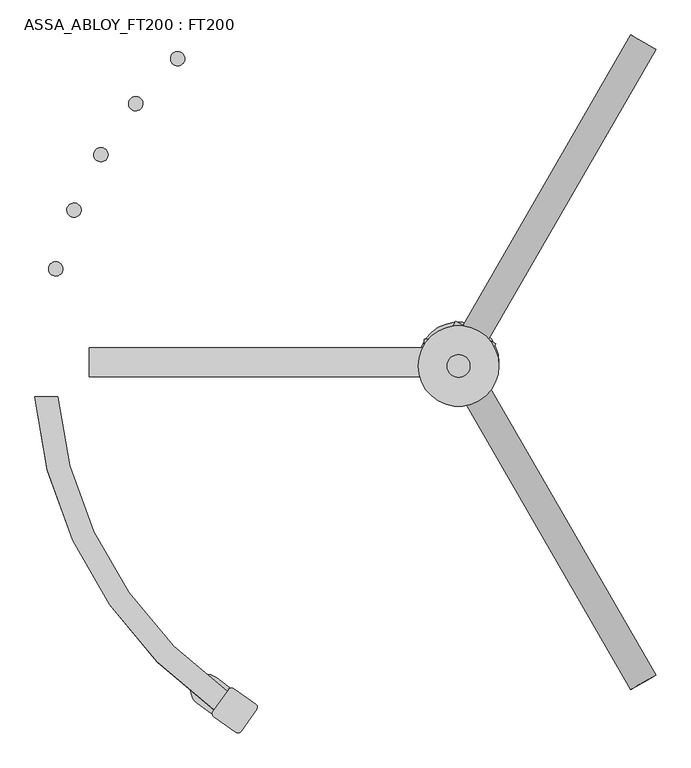
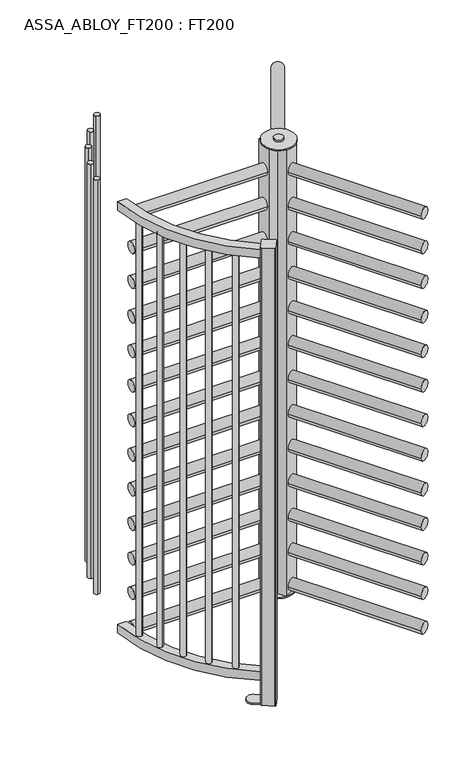
"""IFC4 building model written with IfcOpenShell, lengths in millimetres: proxy geometry, ASSA_ABLOY_FT200 : FT200."""

from ifc_helpers import new_model, si_unit, point, frame, frame_2d, origin, origin_with_axes, origin_2d, place, context, project, spatial, polyline, circle_curve, trimmed, segment, composite_curve, outline, extrude, source, transform, mapped, element, save
from ifc_brep_helpers import plane_surface, cylinder_surface, advanced_brep


def assa_abloy_ft200_ft200_6804b7e4(model_context):
    return source(origin(), model_context, "Body", "SolidModel", [
        extrude(outline(composite_curve([segment(trimmed(circle_curve(frame_2d((25.5, -2.28e-05)), 25.5), [point((25.5, 25.4999772))], [point((25.5, -25.5000229))], False, "CARTESIAN"), True, "CONTINUOUS"), segment(trimmed(circle_curve(frame_2d((25.5, -2.28e-05)), 25.5), [point((25.5, -25.5000229))], [point((25.5, 25.4999772))], False, "CARTESIAN"), True, "CONTINUOUS")], self_intersect=False)), frame((322.9187589, -559.35863, 37.0), z_axis=(-0.4999685347432275, 0.866043569496772, 0.0), x_axis=(0.0, 0.0, 1.0)), (0.0, 0.0, 1.0), 585.9000001),
        extrude(outline(composite_curve([segment(trimmed(circle_curve(frame_2d((186.5, -2.28e-05)), 25.5), [point((186.5, 25.4999772))], [point((186.5, -25.5000229))], False, "CARTESIAN"), True, "CONTINUOUS"), segment(trimmed(circle_curve(frame_2d((186.5, -2.28e-05)), 25.5), [point((186.5, -25.5000229))], [point((186.5, 25.4999772))], False, "CARTESIAN"), True, "CONTINUOUS")], self_intersect=False)), frame((322.9187589, -559.35863, 37.0), z_axis=(-0.4999685347432275, 0.866043569496772, 0.0), x_axis=(0.0, 0.0, 1.0)), (0.0, 0.0, 1.0), 585.9000001),
        extrude(outline(composite_curve([segment(trimmed(circle_curve(frame_2d((347.5, -2.28e-05)), 25.5), [point((347.5, 25.4999772))], [point((347.5, -25.5000229))], False, "CARTESIAN"), True, "CONTINUOUS"), segment(trimmed(circle_curve(frame_2d((347.5, -2.28e-05)), 25.5), [point((347.5, -25.5000229))], [point((347.5, 25.4999772))], False, "CARTESIAN"), True, "CONTINUOUS")], self_intersect=False)), frame((322.9187589, -559.35863, 37.0), z_axis=(-0.4999685347432275, 0.866043569496772, 0.0), x_axis=(0.0, 0.0, 1.0)), (0.0, 0.0, 1.0), 585.9000001),
        extrude(outline(composite_curve([segment(trimmed(circle_curve(frame_2d((508.5, -2.28e-05)), 25.5), [point((508.5, 25.4999772))], [point((508.5, -25.5000229))], False, "CARTESIAN"), True, "CONTINUOUS"), segment(trimmed(circle_curve(frame_2d((508.5, -2.28e-05)), 25.5), [point((508.5, -25.5000229))], [point((508.5, 25.4999772))], False, "CARTESIAN"), True, "CONTINUOUS")], self_intersect=False)), frame((322.9187589, -559.35863, 37.0), z_axis=(-0.4999685347432275, 0.866043569496772, 0.0), x_axis=(0.0, 0.0, 1.0)), (0.0, 0.0, 1.0), 585.9000001),
        extrude(outline(composite_curve([segment(trimmed(circle_curve(frame_2d((669.5, -2.28e-05)), 25.5), [point((669.5, 25.4999772))], [point((669.5, -25.5000229))], False, "CARTESIAN"), True, "CONTINUOUS"), segment(trimmed(circle_curve(frame_2d((669.5, -2.28e-05)), 25.5), [point((669.5, -25.5000229))], [point((669.5, 25.4999772))], False, "CARTESIAN"), True, "CONTINUOUS")], self_intersect=False)), frame((322.9187589, -559.35863, 37.0), z_axis=(-0.4999685347432275, 0.866043569496772, 0.0), x_axis=(0.0, 0.0, 1.0)), (0.0, 0.0, 1.0), 585.9000001),
        extrude(outline(composite_curve([segment(trimmed(circle_curve(frame_2d((830.5, -2.28e-05)), 25.5), [point((830.5, 25.4999772))], [point((830.5, -25.5000229))], False, "CARTESIAN"), True, "CONTINUOUS"), segment(trimmed(circle_curve(frame_2d((830.5, -2.28e-05)), 25.5), [point((830.5, -25.5000229))], [point((830.5, 25.4999772))], False, "CARTESIAN"), True, "CONTINUOUS")], self_intersect=False)), frame((322.9187589, -559.35863, 37.0), z_axis=(-0.4999685347432275, 0.866043569496772, 0.0), x_axis=(0.0, 0.0, 1.0)), (0.0, 0.0, 1.0), 585.9000001),
        extrude(outline(composite_curve([segment(trimmed(circle_curve(frame_2d((991.5, -2.28e-05)), 25.5), [point((991.5, 25.4999772))], [point((991.5, -25.5000229))], False, "CARTESIAN"), True, "CONTINUOUS"), segment(trimmed(circle_curve(frame_2d((991.5, -2.28e-05)), 25.5), [point((991.5, -25.5000229))], [point((991.5, 25.4999772))], False, "CARTESIAN"), True, "CONTINUOUS")], self_intersect=False)), frame((322.9187589, -559.35863, 37.0), z_axis=(-0.4999685347432275, 0.866043569496772, 0.0), x_axis=(0.0, 0.0, 1.0)), (0.0, 0.0, 1.0), 585.9000001),
        extrude(outline(composite_curve([segment(trimmed(circle_curve(frame_2d((1152.5, -2.28e-05)), 25.5), [point((1152.5, 25.4999772))], [point((1152.5, -25.5000229))], False, "CARTESIAN"), True, "CONTINUOUS"), segment(trimmed(circle_curve(frame_2d((1152.5, -2.28e-05)), 25.5), [point((1152.5, -25.5000229))], [point((1152.5, 25.4999772))], False, "CARTESIAN"), True, "CONTINUOUS")], self_intersect=False)), frame((322.9187589, -559.35863, 37.0), z_axis=(-0.4999685347432275, 0.866043569496772, 0.0), x_axis=(0.0, 0.0, 1.0)), (0.0, 0.0, 1.0), 585.9000001),
        extrude(outline(composite_curve([segment(trimmed(circle_curve(frame_2d((1313.5, -2.28e-05)), 25.5), [point((1313.5, 25.4999772))], [point((1313.5, -25.5000229))], False, "CARTESIAN"), True, "CONTINUOUS"), segment(trimmed(circle_curve(frame_2d((1313.5, -2.28e-05)), 25.5), [point((1313.5, -25.5000229))], [point((1313.5, 25.4999772))], False, "CARTESIAN"), True, "CONTINUOUS")], self_intersect=False)), frame((322.9187589, -559.35863, 37.0), z_axis=(-0.4999685347432275, 0.866043569496772, 0.0), x_axis=(0.0, 0.0, 1.0)), (0.0, 0.0, 1.0), 585.9000001),
        extrude(outline(composite_curve([segment(trimmed(circle_curve(frame_2d((1474.5, -2.28e-05)), 25.5), [point((1474.5, 25.4999772))], [point((1474.5, -25.5000229))], False, "CARTESIAN"), True, "CONTINUOUS"), segment(trimmed(circle_curve(frame_2d((1474.5, -2.28e-05)), 25.5), [point((1474.5, -25.5000229))], [point((1474.5, 25.4999772))], False, "CARTESIAN"), True, "CONTINUOUS")], self_intersect=False)), frame((322.9187589, -559.35863, 37.0), z_axis=(-0.4999685347432275, 0.866043569496772, 0.0), x_axis=(0.0, 0.0, 1.0)), (0.0, 0.0, 1.0), 585.9000001),
        extrude(outline(composite_curve([segment(trimmed(circle_curve(frame_2d((1635.5, -2.28e-05)), 25.5), [point((1635.5, 25.4999772))], [point((1635.5, -25.5000229))], False, "CARTESIAN"), True, "CONTINUOUS"), segment(trimmed(circle_curve(frame_2d((1635.5, -2.28e-05)), 25.5), [point((1635.5, -25.5000229))], [point((1635.5, 25.4999772))], False, "CARTESIAN"), True, "CONTINUOUS")], self_intersect=False)), frame((322.9187589, -559.35863, 37.0), z_axis=(-0.4999685347432275, 0.866043569496772, 0.0), x_axis=(0.0, 0.0, 1.0)), (0.0, 0.0, 1.0), 585.9000001),
        extrude(outline(composite_curve([segment(trimmed(circle_curve(frame_2d((1796.5, -2.28e-05)), 25.5), [point((1796.5, 25.4999772))], [point((1796.5, -25.5000229))], False, "CARTESIAN"), True, "CONTINUOUS"), segment(trimmed(circle_curve(frame_2d((1796.5, -2.28e-05)), 25.5), [point((1796.5, -25.5000229))], [point((1796.5, 25.4999772))], False, "CARTESIAN"), True, "CONTINUOUS")], self_intersect=False)), frame((322.9187589, -559.35863, 37.0), z_axis=(-0.4999685347432275, 0.866043569496772, 0.0), x_axis=(0.0, 0.0, 1.0)), (0.0, 0.0, 1.0), 585.9000001),
        extrude(outline(composite_curve([segment(trimmed(circle_curve(frame_2d((1957.5, -2.28e-05)), 25.5), [point((1957.5, 25.4999772))], [point((1957.5, -25.5000229))], False, "CARTESIAN"), True, "CONTINUOUS"), segment(trimmed(circle_curve(frame_2d((1957.5, -2.28e-05)), 25.5), [point((1957.5, -25.5000229))], [point((1957.5, 25.4999772))], False, "CARTESIAN"), True, "CONTINUOUS")], self_intersect=False)), frame((322.9187589, -559.35863, 37.0), z_axis=(-0.4999685347432275, 0.866043569496772, 0.0), x_axis=(0.0, 0.0, 1.0)), (0.0, 0.0, 1.0), 585.9000001),
        extrude(outline(composite_curve([segment(trimmed(circle_curve(frame_2d((25.5, 2.28e-05)), 25.5), [point((25.5, -25.4999772))], [point((25.5, 25.5000228))], False, "CARTESIAN"), True, "CONTINUOUS"), segment(trimmed(circle_curve(frame_2d((25.5, 2.28e-05)), 25.5), [point((25.5, 25.5000228))], [point((25.5, -25.4999772))], False, "CARTESIAN"), True, "CONTINUOUS")], self_intersect=False)), frame((29.9917907, 51.946396, 37.0), z_axis=(0.5000065646043342, 0.8660216136751852, 0.0), x_axis=(0.0, 0.0, 1.0)), (0.0, 0.0, 1.0), 585.9),
        extrude(outline(composite_curve([segment(trimmed(circle_curve(frame_2d((186.5, 2.28e-05)), 25.5), [point((186.5, -25.4999772))], [point((186.5, 25.5000228))], False, "CARTESIAN"), True, "CONTINUOUS"), segment(trimmed(circle_curve(frame_2d((186.5, 2.28e-05)), 25.5), [point((186.5, 25.5000228))], [point((186.5, -25.4999772))], False, "CARTESIAN"), True, "CONTINUOUS")], self_intersect=False)), frame((29.9917907, 51.946396, 37.0), z_axis=(0.5000065646043342, 0.8660216136751852, 0.0), x_axis=(0.0, 0.0, 1.0)), (0.0, 0.0, 1.0), 585.9),
        extrude(outline(composite_curve([segment(trimmed(circle_curve(frame_2d((347.5, 2.28e-05)), 25.5), [point((347.5, -25.4999772))], [point((347.5, 25.5000228))], False, "CARTESIAN"), True, "CONTINUOUS"), segment(trimmed(circle_curve(frame_2d((347.5, 2.28e-05)), 25.5), [point((347.5, 25.5000228))], [point((347.5, -25.4999772))], False, "CARTESIAN"), True, "CONTINUOUS")], self_intersect=False)), frame((29.9917907, 51.946396, 37.0), z_axis=(0.5000065646043342, 0.8660216136751852, 0.0), x_axis=(0.0, 0.0, 1.0)), (0.0, 0.0, 1.0), 585.9),
        extrude(outline(composite_curve([segment(trimmed(circle_curve(frame_2d((508.5, 2.28e-05)), 25.5), [point((508.5, -25.4999772))], [point((508.5, 25.5000228))], False, "CARTESIAN"), True, "CONTINUOUS"), segment(trimmed(circle_curve(frame_2d((508.5, 2.28e-05)), 25.5), [point((508.5, 25.5000228))], [point((508.5, -25.4999772))], False, "CARTESIAN"), True, "CONTINUOUS")], self_intersect=False)), frame((29.9917907, 51.946396, 37.0), z_axis=(0.5000065646043342, 0.8660216136751852, 0.0), x_axis=(0.0, 0.0, 1.0)), (0.0, 0.0, 1.0), 585.9),
        extrude(outline(composite_curve([segment(trimmed(circle_curve(frame_2d((669.5, 2.28e-05)), 25.5), [point((669.5, -25.4999772))], [point((669.5, 25.5000228))], False, "CARTESIAN"), True, "CONTINUOUS"), segment(trimmed(circle_curve(frame_2d((669.5, 2.28e-05)), 25.5), [point((669.5, 25.5000228))], [point((669.5, -25.4999772))], False, "CARTESIAN"), True, "CONTINUOUS")], self_intersect=False)), frame((29.9917907, 51.946396, 37.0), z_axis=(0.5000065646043342, 0.8660216136751852, 0.0), x_axis=(0.0, 0.0, 1.0)), (0.0, 0.0, 1.0), 585.9),
        extrude(outline(composite_curve([segment(trimmed(circle_curve(frame_2d((830.5, 2.28e-05)), 25.5), [point((830.5, -25.4999772))], [point((830.5, 25.5000228))], False, "CARTESIAN"), True, "CONTINUOUS"), segment(trimmed(circle_curve(frame_2d((830.5, 2.28e-05)), 25.5), [point((830.5, 25.5000228))], [point((830.5, -25.4999772))], False, "CARTESIAN"), True, "CONTINUOUS")], self_intersect=False)), frame((29.9917907, 51.946396, 37.0), z_axis=(0.5000065646043342, 0.8660216136751852, 0.0), x_axis=(0.0, 0.0, 1.0)), (0.0, 0.0, 1.0), 585.9),
        extrude(outline(composite_curve([segment(trimmed(circle_curve(frame_2d((991.5, 2.28e-05)), 25.5), [point((991.5, -25.4999772))], [point((991.5, 25.5000228))], False, "CARTESIAN"), True, "CONTINUOUS"), segment(trimmed(circle_curve(frame_2d((991.5, 2.28e-05)), 25.5), [point((991.5, 25.5000228))], [point((991.5, -25.4999772))], False, "CARTESIAN"), True, "CONTINUOUS")], self_intersect=False)), frame((29.9917907, 51.946396, 37.0), z_axis=(0.5000065646043342, 0.8660216136751852, 0.0), x_axis=(0.0, 0.0, 1.0)), (0.0, 0.0, 1.0), 585.9),
        extrude(outline(composite_curve([segment(trimmed(circle_curve(frame_2d((1152.5, 2.28e-05)), 25.5), [point((1152.5, -25.4999772))], [point((1152.5, 25.5000228))], False, "CARTESIAN"), True, "CONTINUOUS"), segment(trimmed(circle_curve(frame_2d((1152.5, 2.28e-05)), 25.5), [point((1152.5, 25.5000228))], [point((1152.5, -25.4999772))], False, "CARTESIAN"), True, "CONTINUOUS")], self_intersect=False)), frame((29.9917907, 51.946396, 37.0), z_axis=(0.5000065646043342, 0.8660216136751852, 0.0), x_axis=(0.0, 0.0, 1.0)), (0.0, 0.0, 1.0), 585.9),
        extrude(outline(composite_curve([segment(trimmed(circle_curve(frame_2d((1313.5, 2.28e-05)), 25.5), [point((1313.5, -25.4999772))], [point((1313.5, 25.5000228))], False, "CARTESIAN"), True, "CONTINUOUS"), segment(trimmed(circle_curve(frame_2d((1313.5, 2.28e-05)), 25.5), [point((1313.5, 25.5000228))], [point((1313.5, -25.4999772))], False, "CARTESIAN"), True, "CONTINUOUS")], self_intersect=False)), frame((29.9917907, 51.946396, 37.0), z_axis=(0.5000065646043342, 0.8660216136751852, 0.0), x_axis=(0.0, 0.0, 1.0)), (0.0, 0.0, 1.0), 585.9),
        extrude(outline(composite_curve([segment(trimmed(circle_curve(frame_2d((1474.5, 2.28e-05)), 25.5), [point((1474.5, -25.4999772))], [point((1474.5, 25.5000228))], False, "CARTESIAN"), True, "CONTINUOUS"), segment(trimmed(circle_curve(frame_2d((1474.5, 2.28e-05)), 25.5), [point((1474.5, 25.5000228))], [point((1474.5, -25.4999772))], False, "CARTESIAN"), True, "CONTINUOUS")], self_intersect=False)), frame((29.9917907, 51.946396, 37.0), z_axis=(0.5000065646043342, 0.8660216136751852, 0.0), x_axis=(0.0, 0.0, 1.0)), (0.0, 0.0, 1.0), 585.9),
        extrude(outline(composite_curve([segment(trimmed(circle_curve(frame_2d((1635.5, 2.28e-05)), 25.5), [point((1635.5, -25.4999772))], [point((1635.5, 25.5000228))], False, "CARTESIAN"), True, "CONTINUOUS"), segment(trimmed(circle_curve(frame_2d((1635.5, 2.28e-05)), 25.5), [point((1635.5, 25.5000228))], [point((1635.5, -25.4999772))], False, "CARTESIAN"), True, "CONTINUOUS")], self_intersect=False)), frame((29.9917907, 51.946396, 37.0), z_axis=(0.5000065646043342, 0.8660216136751852, 0.0), x_axis=(0.0, 0.0, 1.0)), (0.0, 0.0, 1.0), 585.9),
        extrude(outline(composite_curve([segment(trimmed(circle_curve(frame_2d((1796.5, 2.28e-05)), 25.5), [point((1796.5, -25.4999772))], [point((1796.5, 25.5000228))], False, "CARTESIAN"), True, "CONTINUOUS"), segment(trimmed(circle_curve(frame_2d((1796.5, 2.28e-05)), 25.5), [point((1796.5, 25.5000228))], [point((1796.5, -25.4999772))], False, "CARTESIAN"), True, "CONTINUOUS")], self_intersect=False)), frame((29.9917907, 51.946396, 37.0), z_axis=(0.5000065646043342, 0.8660216136751852, 0.0), x_axis=(0.0, 0.0, 1.0)), (0.0, 0.0, 1.0), 585.9),
        extrude(outline(composite_curve([segment(trimmed(circle_curve(frame_2d((1957.5, 2.28e-05)), 25.5), [point((1957.5, -25.4999772))], [point((1957.5, 25.5000228))], False, "CARTESIAN"), True, "CONTINUOUS"), segment(trimmed(circle_curve(frame_2d((1957.5, 2.28e-05)), 25.5), [point((1957.5, 25.5000228))], [point((1957.5, -25.4999772))], False, "CARTESIAN"), True, "CONTINUOUS")], self_intersect=False)), frame((29.9917907, 51.946396, 37.0), z_axis=(0.5000065646043342, 0.8660216136751852, 0.0), x_axis=(0.0, 0.0, 1.0)), (0.0, 0.0, 1.0), 585.9),
        extrude(outline(composite_curve([segment(trimmed(circle_curve(frame_2d((0.0, 62.5)), 25.5), [point((-25.5, 62.5))], [point((25.5, 62.5))], False, "CARTESIAN"), True, "CONTINUOUS"), segment(trimmed(circle_curve(frame_2d((0.0, 62.5)), 25.5), [point((25.5, 62.5))], [point((-25.5, 62.5))], False, "CARTESIAN"), True, "CONTINUOUS")], self_intersect=False)), frame((-645.9, 0.0, 0.0), z_axis=(1.0, 0.0, 0.0), x_axis=(0.0, 1.0, 0.0)), (0.0, 0.0, 1.0), 585.9),
        extrude(outline(composite_curve([segment(trimmed(circle_curve(frame_2d((0.0, 223.5)), 25.5), [point((-25.5, 223.5))], [point((25.5, 223.5))], False, "CARTESIAN"), True, "CONTINUOUS"), segment(trimmed(circle_curve(frame_2d((0.0, 223.5)), 25.5), [point((25.5, 223.5))], [point((-25.5, 223.5))], False, "CARTESIAN"), True, "CONTINUOUS")], self_intersect=False)), frame((-645.9, 0.0, 0.0), z_axis=(1.0, 0.0, 0.0), x_axis=(0.0, 1.0, 0.0)), (0.0, 0.0, 1.0), 585.9),
        extrude(outline(composite_curve([segment(trimmed(circle_curve(frame_2d((0.0, 384.5)), 25.5), [point((-25.5, 384.5))], [point((25.5, 384.5))], False, "CARTESIAN"), True, "CONTINUOUS"), segment(trimmed(circle_curve(frame_2d((0.0, 384.5)), 25.5), [point((25.5, 384.5))], [point((-25.5, 384.5))], False, "CARTESIAN"), True, "CONTINUOUS")], self_intersect=False)), frame((-645.9, 0.0, 0.0), z_axis=(1.0, 0.0, 0.0), x_axis=(0.0, 1.0, 0.0)), (0.0, 0.0, 1.0), 585.9),
        extrude(outline(composite_curve([segment(trimmed(circle_curve(frame_2d((0.0, 545.5)), 25.5), [point((-25.5, 545.5))], [point((25.5, 545.5))], False, "CARTESIAN"), True, "CONTINUOUS"), segment(trimmed(circle_curve(frame_2d((0.0, 545.5)), 25.5), [point((25.5, 545.5))], [point((-25.5, 545.5))], False, "CARTESIAN"), True, "CONTINUOUS")], self_intersect=False)), frame((-645.9, 0.0, 0.0), z_axis=(1.0, 0.0, 0.0), x_axis=(0.0, 1.0, 0.0)), (0.0, 0.0, 1.0), 585.9),
        extrude(outline(composite_curve([segment(trimmed(circle_curve(frame_2d((0.0, 706.5)), 25.5), [point((-25.5, 706.5))], [point((25.5, 706.5))], False, "CARTESIAN"), True, "CONTINUOUS"), segment(trimmed(circle_curve(frame_2d((0.0, 706.5)), 25.5), [point((25.5, 706.5))], [point((-25.5, 706.5))], False, "CARTESIAN"), True, "CONTINUOUS")], self_intersect=False)), frame((-645.9, 0.0, 0.0), z_axis=(1.0, 0.0, 0.0), x_axis=(0.0, 1.0, 0.0)), (0.0, 0.0, 1.0), 585.9),
        extrude(outline(composite_curve([segment(trimmed(circle_curve(frame_2d((0.0, 867.5)), 25.5), [point((-25.5, 867.5))], [point((25.5, 867.5))], False, "CARTESIAN"), True, "CONTINUOUS"), segment(trimmed(circle_curve(frame_2d((0.0, 867.5)), 25.5), [point((25.5, 867.5))], [point((-25.5, 867.5))], False, "CARTESIAN"), True, "CONTINUOUS")], self_intersect=False)), frame((-645.9, 0.0, 0.0), z_axis=(1.0, 0.0, 0.0), x_axis=(0.0, 1.0, 0.0)), (0.0, 0.0, 1.0), 585.9),
        extrude(outline(composite_curve([segment(trimmed(circle_curve(frame_2d((0.0, 1028.5)), 25.5), [point((-25.5, 1028.5))], [point((25.5, 1028.5))], False, "CARTESIAN"), True, "CONTINUOUS"), segment(trimmed(circle_curve(frame_2d((0.0, 1028.5)), 25.5), [point((25.5, 1028.5))], [point((-25.5, 1028.5))], False, "CARTESIAN"), True, "CONTINUOUS")], self_intersect=False)), frame((-645.9, 0.0, 0.0), z_axis=(1.0, 0.0, 0.0), x_axis=(0.0, 1.0, 0.0)), (0.0, 0.0, 1.0), 585.9),
        extrude(outline(composite_curve([segment(trimmed(circle_curve(frame_2d((0.0, 1189.5)), 25.5), [point((-25.5, 1189.5))], [point((25.5, 1189.5))], False, "CARTESIAN"), True, "CONTINUOUS"), segment(trimmed(circle_curve(frame_2d((0.0, 1189.5)), 25.5), [point((25.5, 1189.5))], [point((-25.5, 1189.5))], False, "CARTESIAN"), True, "CONTINUOUS")], self_intersect=False)), frame((-645.9, 0.0, 0.0), z_axis=(1.0, 0.0, 0.0), x_axis=(0.0, 1.0, 0.0)), (0.0, 0.0, 1.0), 585.9),
        extrude(outline(composite_curve([segment(trimmed(circle_curve(frame_2d((0.0, 1350.5)), 25.5), [point((-25.5, 1350.5))], [point((25.5, 1350.5))], False, "CARTESIAN"), True, "CONTINUOUS"), segment(trimmed(circle_curve(frame_2d((0.0, 1350.5)), 25.5), [point((25.5, 1350.5))], [point((-25.5, 1350.5))], False, "CARTESIAN"), True, "CONTINUOUS")], self_intersect=False)), frame((-645.9, 0.0, 0.0), z_axis=(1.0, 0.0, 0.0), x_axis=(0.0, 1.0, 0.0)), (0.0, 0.0, 1.0), 585.9),
        extrude(outline(composite_curve([segment(trimmed(circle_curve(frame_2d((0.0, 1511.5)), 25.5), [point((-25.5, 1511.5))], [point((25.5, 1511.5))], False, "CARTESIAN"), True, "CONTINUOUS"), segment(trimmed(circle_curve(frame_2d((0.0, 1511.5)), 25.5), [point((25.5, 1511.5))], [point((-25.5, 1511.5))], False, "CARTESIAN"), True, "CONTINUOUS")], self_intersect=False)), frame((-645.9, 0.0, 0.0), z_axis=(1.0, 0.0, 0.0), x_axis=(0.0, 1.0, 0.0)), (0.0, 0.0, 1.0), 585.9),
        extrude(outline(composite_curve([segment(trimmed(circle_curve(frame_2d((0.0, 1672.5)), 25.5), [point((-25.5, 1672.5))], [point((25.5, 1672.5))], False, "CARTESIAN"), True, "CONTINUOUS"), segment(trimmed(circle_curve(frame_2d((0.0, 1672.5)), 25.5), [point((25.5, 1672.5))], [point((-25.5, 1672.5))], False, "CARTESIAN"), True, "CONTINUOUS")], self_intersect=False)), frame((-645.9, 0.0, 0.0), z_axis=(1.0, 0.0, 0.0), x_axis=(0.0, 1.0, 0.0)), (0.0, 0.0, 1.0), 585.9),
        extrude(outline(composite_curve([segment(trimmed(circle_curve(frame_2d((0.0, 1833.5)), 25.5), [point((-25.5, 1833.5))], [point((25.5, 1833.5))], False, "CARTESIAN"), True, "CONTINUOUS"), segment(trimmed(circle_curve(frame_2d((0.0, 1833.5)), 25.5), [point((25.5, 1833.5))], [point((-25.5, 1833.5))], False, "CARTESIAN"), True, "CONTINUOUS")], self_intersect=False)), frame((-645.9, 0.0, 0.0), z_axis=(1.0, 0.0, 0.0), x_axis=(0.0, 1.0, 0.0)), (0.0, 0.0, 1.0), 585.9),
        extrude(outline(composite_curve([segment(trimmed(circle_curve(frame_2d((0.0, 1994.5)), 25.5), [point((-25.5, 1994.5))], [point((25.5, 1994.5))], False, "CARTESIAN"), True, "CONTINUOUS"), segment(trimmed(circle_curve(frame_2d((0.0, 1994.5)), 25.5), [point((25.5, 1994.5))], [point((-25.5, 1994.5))], False, "CARTESIAN"), True, "CONTINUOUS")], self_intersect=False)), frame((-645.9, 0.0, 0.0), z_axis=(1.0, 0.0, 0.0), x_axis=(0.0, 1.0, 0.0)), (0.0, 0.0, 1.0), 585.9),
        extrude(outline(composite_curve([segment(trimmed(circle_curve(frame_2d((-0.0003681, -6.5842658)), 20.0), [point((19.9996319, -6.5842658))], [point((-20.0003681, -6.5842658))], False, "CARTESIAN"), True, "CONTINUOUS"), segment(trimmed(circle_curve(frame_2d((-0.0003681, -6.5842658)), 20.0), [point((-20.0003681, -6.5842658))], [point((19.9996319, -6.5842658))], False, "CARTESIAN"), True, "CONTINUOUS")], self_intersect=False)), frame((0.0, 0.0, 2116.4999542), z_axis=(0.0, 0.0, 1.0), x_axis=(1.0, 0.0, 0.0)), (0.0, 0.0, 1.0), 8.5),
        extrude(outline(composite_curve([segment(trimmed(circle_curve(frame_2d((-0.0003681, -6.5842658)), 70.5), [point((70.4996319, -6.5842658))], [point((-70.5003681, -6.5842658))], False, "CARTESIAN"), True, "CONTINUOUS"), segment(trimmed(circle_curve(frame_2d((-0.0003681, -6.5842658)), 70.5), [point((-70.5003681, -6.5842658))], [point((70.4996319, -6.5842658))], False, "CARTESIAN"), True, "CONTINUOUS")], self_intersect=False)), frame((0.0, 0.0, 2110.4999695), z_axis=(0.0, 0.0, 1.0), x_axis=(1.0, 0.0, 0.0)), (0.0, 0.0, 1.0), 5.9999847),
        extrude(outline(composite_curve([segment(trimmed(circle_curve(frame_2d((-0.0003681, 0.0)), 20.0), [point((19.9996319, 0.0))], [point((-20.0003681, 0.0))], False, "CARTESIAN"), True, "CONTINUOUS"), segment(trimmed(circle_curve(frame_2d((-0.0003681, 0.0)), 20.0), [point((-20.0003681, 0.0))], [point((19.9996319, 0.0))], False, "CARTESIAN"), True, "CONTINUOUS")], self_intersect=False)), frame((0.0, 0.0, 8.0), z_axis=(0.0, 0.0, 1.0), x_axis=(1.0, 0.0, 0.0)), (0.0, 0.0, 1.0), 13.0),
        extrude(outline(composite_curve([segment(trimmed(circle_curve(frame_2d((-0.0003681, 0.0)), 70.5), [point((70.4996319, 0.0))], [point((-70.5003681, 0.0))], False, "CARTESIAN"), True, "CONTINUOUS"), segment(trimmed(circle_curve(frame_2d((-0.0003681, 0.0)), 70.5), [point((-70.5003681, 0.0))], [point((70.4996319, 0.0))], False, "CARTESIAN"), True, "CONTINUOUS")], self_intersect=False)), frame((0.0, 0.0, 21.0), z_axis=(0.0, 0.0, 1.0), x_axis=(1.0, 0.0, 0.0)), (0.0, 0.0, 1.0), 5.9999847),
        extrude(outline(polyline([(-23.0942963, 39.9999606), (-4.6494225, 71.9468599), (64.6324519, 31.9462508), (46.1879562, 0.0), (63.2809074, -32.7231813), (-4.2026102, -71.6815392), (-23.0942625, -40.0000191), (-60.0, -40.0000191), (-60.0, 39.9999734), (-23.0942963, 39.9999606)])), frame((0.0, 0.0, 26.9999847), z_axis=(0.0, 0.0, 1.0), x_axis=(1.0, 0.0, 0.0)), (0.0, 0.0, 1.0), 2083.4999847),
        advanced_brep(
        [(-701.3972813, -175.3425532, 148.5), (-707.0228878, -150.9837307, 148.5), (-701.3972813, -175.3425532, 2077.0), (-706.9882272, -150.9757519, 2077.0)],
        [
            (0, 1, circle_curve(frame((-704.2014208, -163.1611411, 148.5), z_axis=(0.0, 0.0, -1.0), x_axis=(-0.22571736015093904, 0.9741928316952919, 0.0)), 12.5)),
            (1, 0, circle_curve(frame((-704.2014208, -163.1611411, 148.5), z_axis=(0.0, 0.0, -1.0), x_axis=(-0.22571736015093904, 0.9741928316952919, 0.0)), 12.5)),
            (2, 3, circle_curve(frame((-704.2014208, -163.1611411, 2077.0), z_axis=(0.0, 0.0, 1.0), x_axis=(-0.22571736015093904, 0.9741928316952919, 0.0)), 12.5)),
            (3, 2, circle_curve(frame((-704.2014208, -163.1611411, 2077.0), z_axis=(0.0, 0.0, 1.0), x_axis=(-0.22571736015093904, 0.9741928316952919, 0.0)), 12.5)),
            (0, 2),
            (3, 1),
        ],
        [
            plane_surface(frame((-704.243998, -163.1710797, 148.5), z_axis=(0.0, 0.0, -1.0), x_axis=(-0.9741928316952919, -0.22571736015093904, 0.0))),
            plane_surface(frame((-704.243998, -163.1710797, 2077.0), z_axis=(0.0, 0.0, 1.0), x_axis=(-0.9741928316952919, -0.22571736015093904, 0.0))),
            cylinder_surface(frame((-704.2014208, -163.1611411, 148.5), z_axis=(0.0, 0.0, -1.0), x_axis=(-0.22571736015093904, 0.9741928316952919, 0.0)), 12.5),
        ],
        [
            (0, [[1, 2]]),
            (1, [[3, 4]]),
            (2, [[-1, 5, -4, 6]]),
            (2, [[-2, -6, -3, -5]]),
        ],
    ),
        advanced_brep(
        [(-676.7879449, -254.2857379, 148.5), (-667.5421072, -277.5131822, 148.5), (-676.7879449, -254.2857379, 2077.0), (-667.5751595, -277.5263117, 2077.0)],
        [
            (0, 1, circle_curve(frame((-672.1732868, -265.9027483, 148.5), z_axis=(0.0, 0.0, -1.0), x_axis=(-0.3678501839674795, 0.9298850693258235, 0.0)), 12.5)),
            (1, 0, circle_curve(frame((-672.1732868, -265.9027483, 148.5), z_axis=(0.0, 0.0, -1.0), x_axis=(-0.3678501839674795, 0.9298850693258235, 0.0)), 12.5)),
            (2, 3, circle_curve(frame((-672.1732868, -265.9027483, 2077.0), z_axis=(0.0, 0.0, 1.0), x_axis=(-0.3678501839674795, 0.9298850693258235, 0.0)), 12.5)),
            (3, 2, circle_curve(frame((-672.1732868, -265.9027483, 2077.0), z_axis=(0.0, 0.0, 1.0), x_axis=(-0.3678501839674795, 0.9298850693258235, 0.0)), 12.5)),
            (0, 2),
            (3, 1),
        ],
        [
            plane_surface(frame((-672.2139166, -265.918898, 148.5), z_axis=(0.0, 0.0, -1.0), x_axis=(-0.9298850693258235, -0.3678501839674795, 0.0))),
            plane_surface(frame((-672.2139166, -265.918898, 2077.0), z_axis=(0.0, 0.0, 1.0), x_axis=(-0.9298850693258235, -0.3678501839674795, 0.0))),
            cylinder_surface(frame((-672.1732868, -265.9027483, 148.5), z_axis=(0.0, 0.0, -1.0), x_axis=(-0.3678501839674795, 0.9298850693258235, 0.0)), 12.5),
        ],
        [
            (0, [[1, 2]]),
            (1, [[3, 4]]),
            (2, [[-1, 5, -4, 6]]),
            (2, [[-2, -6, -3, -5]]),
        ],
    ),
        advanced_brep(
        [(-631.5347326, -351.9474966, 148.5), (-618.9428802, -373.544833, 148.5), (-631.5347326, -351.9474966, 2077.0), (-618.9736169, -373.5627241, 2077.0)],
        [
            (0, 1, circle_curve(frame((-625.2464874, -362.7506431, 148.5), z_axis=(0.0, 0.0, -1.0), x_axis=(-0.5018296388362806, 0.8649664811918715, 0.0)), 12.5)),
            (1, 0, circle_curve(frame((-625.2464874, -362.7506431, 148.5), z_axis=(0.0, 0.0, -1.0), x_axis=(-0.5018296388362806, 0.8649664811918715, 0.0)), 12.5)),
            (2, 3, circle_curve(frame((-625.2464874, -362.7506431, 2077.0), z_axis=(0.0, 0.0, 1.0), x_axis=(-0.5018296388362806, 0.8649664811918715, 0.0)), 12.5)),
            (3, 2, circle_curve(frame((-625.2464874, -362.7506431, 2077.0), z_axis=(0.0, 0.0, 1.0), x_axis=(-0.5018296388362806, 0.8649664811918715, 0.0)), 12.5)),
            (0, 2),
            (3, 1),
        ],
        [
            plane_surface(frame((-625.2842693, -362.7726459, 148.5), z_axis=(0.0, 0.0, -1.0), x_axis=(-0.8649664811918715, -0.5018296388362806, 0.0))),
            plane_surface(frame((-625.2842693, -362.7726459, 2077.0), z_axis=(0.0, 0.0, 1.0), x_axis=(-0.8649664811918715, -0.5018296388362806, 0.0))),
            cylinder_surface(frame((-625.2464874, -362.7506431, 148.5), z_axis=(0.0, 0.0, -1.0), x_axis=(-0.5018296388362806, 0.8649664811918715, 0.0)), 12.5),
        ],
        [
            (0, [[1, 2]]),
            (1, [[3, 4]]),
            (2, [[-1, 5, -4, 6]]),
            (2, [[-2, -6, -3, -5]]),
        ],
    ),
        advanced_brep(
        [(-572.1141399, -442.027793, 148.5), (-556.447898, -461.510312, 148.5), (-572.1141399, -442.027793, 2077.0), (-556.4756293, -461.5325788, 2077.0)],
        [
            (0, 1, circle_curve(frame((-564.2879478, -451.7746241, 148.5), z_axis=(0.0, 0.0, -1.0), x_axis=(-0.6249854827810994, 0.7806363726555894, 0.0)), 12.5)),
            (1, 0, circle_curve(frame((-564.2879478, -451.7746241, 148.5), z_axis=(0.0, 0.0, -1.0), x_axis=(-0.6249854827810994, 0.7806363726555894, 0.0)), 12.5)),
            (2, 3, circle_curve(frame((-564.2879478, -451.7746241, 2077.0), z_axis=(0.0, 0.0, 1.0), x_axis=(-0.6249854827810994, 0.7806363726555894, 0.0)), 12.5)),
            (3, 2, circle_curve(frame((-564.2879478, -451.7746241, 2077.0), z_axis=(0.0, 0.0, 1.0), x_axis=(-0.6249854827810994, 0.7806363726555894, 0.0)), 12.5)),
            (0, 2),
            (3, 1),
        ],
        [
            plane_surface(frame((-564.3220338, -451.8020055, 148.5), z_axis=(0.0, 0.0, -1.0000000000000002), x_axis=(-0.7806363726555894, -0.6249854827810994, 0.0))),
            plane_surface(frame((-564.3220338, -451.8020055, 2077.0), z_axis=(0.0, 0.0, 1.0000000000000002), x_axis=(-0.7806363726555894, -0.6249854827810994, 0.0))),
            cylinder_surface(frame((-564.2879478, -451.7746241, 148.5), z_axis=(0.0, 0.0, -1.0000000000000002), x_axis=(-0.6249854827810994, 0.7806363726555894, 0.0)), 12.5),
        ],
        [
            (0, [[1, 2]]),
            (1, [[3, 4]]),
            (2, [[-1, 5, -4, 6]]),
            (2, [[-2, -6, -3, -5]]),
        ],
    ),
        advanced_brep(
        [(-500.1042882, -522.0582297, 148.5), (-481.7502022, -539.0325492, 148.5), (-500.1042882, -522.0582297, 2077.0), (-481.7532546, -539.0358491, 2077.0)],
        [
            (0, 1, circle_curve(frame((-490.9280083, -530.5462145, 148.5), z_axis=(0.0, 0.0, -1.0), x_axis=(-0.733980288863185, 0.6791707705432527, 0.0)), 12.5)),
            (1, 0, circle_curve(frame((-490.9280083, -530.5462145, 148.5), z_axis=(0.0, 0.0, -1.0), x_axis=(-0.733980288863185, 0.6791707705432527, 0.0)), 12.5)),
            (2, 3, circle_curve(frame((-490.9280083, -530.5462145, 2077.0), z_axis=(0.0, 0.0, 1.0), x_axis=(-0.733980288863185, 0.6791707705432527, 0.0)), 12.5)),
            (3, 2, circle_curve(frame((-490.9280083, -530.5462145, 2077.0), z_axis=(0.0, 0.0, 1.0), x_axis=(-0.733980288863185, 0.6791707705432527, 0.0)), 12.5)),
            (0, 2),
            (3, 1),
        ],
        [
            plane_surface(frame((-490.97255, -530.5943508, 148.5), z_axis=(0.0, 0.0, -1.0000000000000002), x_axis=(-0.6791707705432527, -0.733980288863185, 0.0))),
            plane_surface(frame((-490.97255, -530.5943508, 2077.0), z_axis=(0.0, 0.0, 1.0000000000000002), x_axis=(-0.6791707705432527, -0.733980288863185, 0.0))),
            cylinder_surface(frame((-490.9280083, -530.5462145, 148.5), z_axis=(0.0, 0.0, -1.0000000000000002), x_axis=(-0.733980288863185, 0.6791707705432527, 0.0)), 12.5),
        ],
        [
            (0, [[1, 2]]),
            (1, [[3, 4]]),
            (2, [[-1, 5, -4, 6]]),
            (2, [[-2, -6, -3, -5]]),
        ],
    ),
        extrude(outline(composite_curve([segment(polyline([(-404.208902, -575.1310927), (-427.2091121, -607.8570814)]), True, "CONTINUOUS"), segment(trimmed(circle_curve(origin_2d(), 742.9655826), [point((-427.2091121, -607.8570814))], [point((-740.5388963, -60.0))], False, "CARTESIAN"), True, "CONTINUOUS"), segment(polyline([(-740.5388963, -60.0), (-700.4003215, -60.0)]), True, "CONTINUOUS"), segment(trimmed(circle_curve(origin_2d(), 702.9655826), [point((-700.4003215, -60.0))], [point((-404.208902, -575.1310927))], True, "CARTESIAN"), True, "CONTINUOUS")], self_intersect=False)), frame((0.0, 0.0, 108.5), z_axis=(0.0, 0.0, 1.0), x_axis=(1.0, 0.0, 0.0)), (0.0, 0.0, 1.0), 40.0),
        extrude(outline(composite_curve([segment(polyline([(-404.208902, -575.1310927), (-427.2091121, -607.8570814)]), True, "CONTINUOUS"), segment(trimmed(circle_curve(origin_2d(), 742.9655826), [point((-427.2091121, -607.8570814))], [point((-740.5388963, -60.0))], False, "CARTESIAN"), True, "CONTINUOUS"), segment(polyline([(-740.5388963, -60.0), (-700.4003215, -60.0)]), True, "CONTINUOUS"), segment(trimmed(circle_curve(origin_2d(), 702.9655826), [point((-700.4003215, -60.0))], [point((-404.208902, -575.1310927))], True, "CARTESIAN"), True, "CONTINUOUS")], self_intersect=False)), frame((0.0, 0.0, 2077.0), z_axis=(0.0, 0.0, 1.0), x_axis=(1.0, 0.0, 0.0)), (0.0, 0.0, 1.0), 40.0),
        extrude(outline(composite_curve([segment(polyline([(-389.0883685, -646.7913309), (-427.6852961, -619.6649559)]), True, "CONTINUOUS"), segment(trimmed(circle_curve(frame_2d((-424.0052625, -614.4287977)), 6.4), [point((-427.6852961, -619.6649559))], [point((-429.2414207, -610.7487641))], False, "CARTESIAN"), True, "CONTINUOUS"), segment(polyline([(-429.2414207, -610.7487641), (-402.1011728, -572.1320974)]), True, "CONTINUOUS"), segment(trimmed(circle_curve(frame_2d((-396.8650146, -575.812131)), 6.4), [point((-402.1011728, -572.1320974))], [point((-393.1849809, -570.5759728))], False, "CARTESIAN"), True, "CONTINUOUS"), segment(polyline([(-393.1849809, -570.5759728), (-354.5880534, -597.7023478)]), True, "CONTINUOUS"), segment(trimmed(circle_curve(frame_2d((-358.268087, -602.938506)), 6.4), [point((-354.5880534, -597.7023478))], [point((-353.0319288, -606.6185396))], False, "CARTESIAN"), True, "CONTINUOUS"), segment(polyline([(-353.0319288, -606.6185396), (-380.1721767, -645.2352063)]), True, "CONTINUOUS"), segment(trimmed(circle_curve(frame_2d((-385.4083349, -641.5551727)), 6.4), [point((-380.1721767, -645.2352063))], [point((-389.0883685, -646.7913309))], False, "CARTESIAN"), True, "CONTINUOUS")], self_intersect=False)), origin_with_axes(), (0.0, 0.0, 1.0), 2130.0),
        extrude(outline(composite_curve([segment(polyline([(-399.5334393, -568.4785823), (-431.7337334, -614.2949664)]), True, "CONTINUOUS"), segment(trimmed(circle_curve(frame_2d((22.7301443, 32.341724)), 790.3647421), [point((-431.7337334, -614.2949664))], [point((-456.8276812, -595.9103891))], False, "CARTESIAN"), True, "CONTINUOUS"), segment(trimmed(circle_curve(frame_2d((-439.8385388, -573.6535016)), 28.0), [point((-456.8276812, -595.9103891))], [point((-422.8493965, -551.396614))], False, "CARTESIAN"), True, "CONTINUOUS"), segment(trimmed(circle_curve(frame_2d((22.7301443, 32.341724)), 734.3647421), [point((-422.8493965, -551.396614))], [point((-399.5334393, -568.4785823))], True, "CARTESIAN"), True, "CONTINUOUS")], self_intersect=False)), origin_with_axes(), (0.0, 0.0, 1.0), 8.0),
        advanced_brep(
        [(-701.3972813, 175.3425532, 148.5), (-706.9882272, 150.9757519, 148.5), (-701.3972813, 175.3425532, 2077.0), (-707.0228878, 150.9837307, 2077.0)],
        [
            (0, 1, circle_curve(frame((-704.2014208, 163.1611411, 148.5), z_axis=(0.0, 0.0, -1.0), x_axis=(-0.22571736015093904, -0.9741928316952919, 0.0)), 12.5)),
            (1, 0, circle_curve(frame((-704.2014208, 163.1611411, 148.5), z_axis=(0.0, 0.0, -1.0), x_axis=(-0.22571736015093904, -0.9741928316952919, 0.0)), 12.5)),
            (2, 3, circle_curve(frame((-704.2014208, 163.1611411, 2077.0), z_axis=(0.0, 0.0, 1.0), x_axis=(-0.22571736015093904, -0.9741928316952919, 0.0)), 12.5)),
            (3, 2, circle_curve(frame((-704.2014208, 163.1611411, 2077.0), z_axis=(0.0, 0.0, 1.0), x_axis=(-0.22571736015093904, -0.9741928316952919, 0.0)), 12.5)),
            (1, 3),
            (2, 0),
        ],
        [
            plane_surface(frame((-704.243998, 163.1710797, 148.5), z_axis=(0.0, 0.0, -1.0), x_axis=(-0.9741928316952919, 0.22571736015093904, 0.0))),
            plane_surface(frame((-704.243998, 163.1710797, 2077.0), z_axis=(0.0, 0.0, 1.0), x_axis=(-0.9741928316952919, 0.22571736015093904, 0.0))),
            cylinder_surface(frame((-704.2014208, 163.1611411, 148.5), z_axis=(0.0, 0.0, -1.0), x_axis=(-0.22571736015093904, -0.9741928316952919, 0.0)), 12.5),
        ],
        [
            (0, [[1, 2]]),
            (1, [[3, 4]]),
            (2, [[5, -3, 6, -2]]),
            (2, [[-6, -4, -5, -1]]),
        ],
    ),
        advanced_brep(
        [(-676.7879449, 254.2857379, 148.5), (-667.5751595, 277.5263117, 148.5), (-676.7879449, 254.2857379, 2077.0), (-667.5421072, 277.5131822, 2077.0)],
        [
            (0, 1, circle_curve(frame((-672.1732868, 265.9027483, 148.5), z_axis=(0.0, 0.0, -1.0), x_axis=(-0.3678501839674795, -0.9298850693258235, 0.0)), 12.5)),
            (1, 0, circle_curve(frame((-672.1732868, 265.9027483, 148.5), z_axis=(0.0, 0.0, -1.0), x_axis=(-0.3678501839674795, -0.9298850693258235, 0.0)), 12.5)),
            (2, 3, circle_curve(frame((-672.1732868, 265.9027483, 2077.0), z_axis=(0.0, 0.0, 1.0), x_axis=(-0.3678501839674795, -0.9298850693258235, 0.0)), 12.5)),
            (3, 2, circle_curve(frame((-672.1732868, 265.9027483, 2077.0), z_axis=(0.0, 0.0, 1.0), x_axis=(-0.3678501839674795, -0.9298850693258235, 0.0)), 12.5)),
            (1, 3),
            (2, 0),
        ],
        [
            plane_surface(frame((-672.2139166, 265.918898, 148.5), z_axis=(0.0, 0.0, -1.0), x_axis=(-0.9298850693258235, 0.3678501839674795, 0.0))),
            plane_surface(frame((-672.2139166, 265.918898, 2077.0), z_axis=(0.0, 0.0, 1.0), x_axis=(-0.9298850693258235, 0.3678501839674795, 0.0))),
            cylinder_surface(frame((-672.1732868, 265.9027483, 148.5), z_axis=(0.0, 0.0, -1.0), x_axis=(-0.3678501839674795, -0.9298850693258235, 0.0)), 12.5),
        ],
        [
            (0, [[1, 2]]),
            (1, [[3, 4]]),
            (2, [[5, -3, 6, -2]]),
            (2, [[-6, -4, -5, -1]]),
        ],
    ),
        advanced_brep(
        [(-631.5347326, 351.9474966, 148.5), (-618.9736169, 373.5627241, 148.5), (-631.5347326, 351.9474966, 2077.0), (-618.9428802, 373.544833, 2077.0)],
        [
            (0, 1, circle_curve(frame((-625.2464874, 362.7506431, 148.5), z_axis=(0.0, 0.0, -1.0), x_axis=(-0.5018296388362806, -0.8649664811918715, 0.0)), 12.5)),
            (1, 0, circle_curve(frame((-625.2464874, 362.7506431, 148.5), z_axis=(0.0, 0.0, -1.0), x_axis=(-0.5018296388362806, -0.8649664811918715, 0.0)), 12.5)),
            (2, 3, circle_curve(frame((-625.2464874, 362.7506431, 2077.0), z_axis=(0.0, 0.0, 1.0), x_axis=(-0.5018296388362806, -0.8649664811918715, 0.0)), 12.5)),
            (3, 2, circle_curve(frame((-625.2464874, 362.7506431, 2077.0), z_axis=(0.0, 0.0, 1.0), x_axis=(-0.5018296388362806, -0.8649664811918715, 0.0)), 12.5)),
            (1, 3),
            (2, 0),
        ],
        [
            plane_surface(frame((-625.2842693, 362.7726459, 148.5), z_axis=(0.0, 0.0, -1.0), x_axis=(-0.8649664811918715, 0.5018296388362806, 0.0))),
            plane_surface(frame((-625.2842693, 362.7726459, 2077.0), z_axis=(0.0, 0.0, 1.0), x_axis=(-0.8649664811918715, 0.5018296388362806, 0.0))),
            cylinder_surface(frame((-625.2464874, 362.7506431, 148.5), z_axis=(0.0, 0.0, -1.0), x_axis=(-0.5018296388362806, -0.8649664811918715, 0.0)), 12.5),
        ],
        [
            (0, [[1, 2]]),
            (1, [[3, 4]]),
            (2, [[5, -3, 6, -2]]),
            (2, [[-6, -4, -5, -1]]),
        ],
    ),
        advanced_brep(
        [(-572.1141399, 442.027793, 148.5), (-556.4756293, 461.5325788, 148.5), (-572.1141399, 442.027793, 2077.0), (-556.447898, 461.510312, 2077.0)],
        [
            (0, 1, circle_curve(frame((-564.2879478, 451.7746241, 148.5), z_axis=(0.0, 0.0, -1.0), x_axis=(-0.6249854827810994, -0.7806363726555894, 0.0)), 12.5)),
            (1, 0, circle_curve(frame((-564.2879478, 451.7746241, 148.5), z_axis=(0.0, 0.0, -1.0), x_axis=(-0.6249854827810994, -0.7806363726555894, 0.0)), 12.5)),
            (2, 3, circle_curve(frame((-564.2879478, 451.7746241, 2077.0), z_axis=(0.0, 0.0, 1.0), x_axis=(-0.6249854827810994, -0.7806363726555894, 0.0)), 12.5)),
            (3, 2, circle_curve(frame((-564.2879478, 451.7746241, 2077.0), z_axis=(0.0, 0.0, 1.0), x_axis=(-0.6249854827810994, -0.7806363726555894, 0.0)), 12.5)),
            (1, 3),
            (2, 0),
        ],
        [
            plane_surface(frame((-564.3220338, 451.8020055, 148.5), z_axis=(0.0, 0.0, -1.0000000000000002), x_axis=(-0.7806363726555894, 0.6249854827810994, 0.0))),
            plane_surface(frame((-564.3220338, 451.8020055, 2077.0), z_axis=(0.0, 0.0, 1.0000000000000002), x_axis=(-0.7806363726555894, 0.6249854827810994, 0.0))),
            cylinder_surface(frame((-564.2879478, 451.7746241, 148.5), z_axis=(0.0, 0.0, -1.0000000000000002), x_axis=(-0.6249854827810994, -0.7806363726555894, 0.0)), 12.5),
        ],
        [
            (0, [[1, 2]]),
            (1, [[3, 4]]),
            (2, [[5, -3, 6, -2]]),
            (2, [[-6, -4, -5, -1]]),
        ],
    ),
        advanced_brep(
        [(-500.1042882, 522.0582297, 148.5), (-481.7532546, 539.0358491, 148.5), (-500.1042882, 522.0582297, 2077.0), (-481.7502022, 539.0325492, 2077.0)],
        [
            (0, 1, circle_curve(frame((-490.9280083, 530.5462145, 148.5), z_axis=(0.0, 0.0, -1.0), x_axis=(-0.733980288863185, -0.6791707705432527, 0.0)), 12.5)),
            (1, 0, circle_curve(frame((-490.9280083, 530.5462145, 148.5), z_axis=(0.0, 0.0, -1.0), x_axis=(-0.733980288863185, -0.6791707705432527, 0.0)), 12.5)),
            (2, 3, circle_curve(frame((-490.9280083, 530.5462145, 2077.0), z_axis=(0.0, 0.0, 1.0), x_axis=(-0.733980288863185, -0.6791707705432527, 0.0)), 12.5)),
            (3, 2, circle_curve(frame((-490.9280083, 530.5462145, 2077.0), z_axis=(0.0, 0.0, 1.0), x_axis=(-0.733980288863185, -0.6791707705432527, 0.0)), 12.5)),
            (1, 3),
            (2, 0),
        ],
        [
            plane_surface(frame((-490.97255, 530.5943508, 148.5), z_axis=(0.0, 0.0, -1.0000000000000002), x_axis=(-0.6791707705432527, 0.733980288863185, 0.0))),
            plane_surface(frame((-490.97255, 530.5943508, 2077.0), z_axis=(0.0, 0.0, 1.0000000000000002), x_axis=(-0.6791707705432527, 0.733980288863185, 0.0))),
            cylinder_surface(frame((-490.9280083, 530.5462145, 148.5), z_axis=(0.0, 0.0, -1.0000000000000002), x_axis=(-0.733980288863185, -0.6791707705432527, 0.0)), 12.5),
        ],
        [
            (0, [[1, 2]]),
            (1, [[3, 4]]),
            (2, [[5, -3, 6, -2]]),
            (2, [[-6, -4, -5, -1]]),
        ],
    ),
    ])


if __name__ == "__main__":
    model = new_model("IFC4")
    model_context = context("Model", 3, world=origin())
    ifc_project = project(units=[si_unit("LENGTHUNIT", "METRE", prefix="MILLI")], contexts=[model_context])
    site = spatial("IfcSite", under=ifc_project)
    building = spatial("IfcBuilding", under=site)
    placement = place(None, origin())
    assa_abloy_ft200_ft200_shape = assa_abloy_ft200_ft200_6804b7e4(model_context)
    element("IfcBuildingElementProxy", 1, Name="ASSA_ABLOY_FT200 : FT200", ObjectType="ASSA_ABLOY_FT200 : FT200", at=placement, inside=building, context=model_context, shape_type="MappedRepresentation", body=[
        mapped(assa_abloy_ft200_ft200_shape, transform((0.0, 0.0, 0.0), x_axis=(1.0, 0.0, 0.0), y_axis=(0.0, 1.0, 0.0), z_axis=(0.0, 0.0, 1.0))),
    ])
    save(model, "model.ifc")
